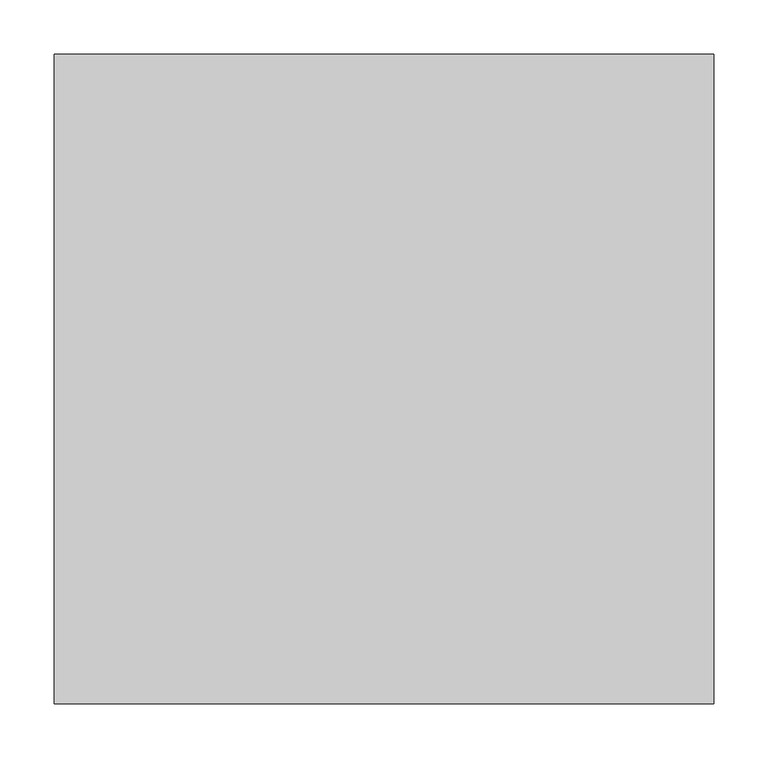
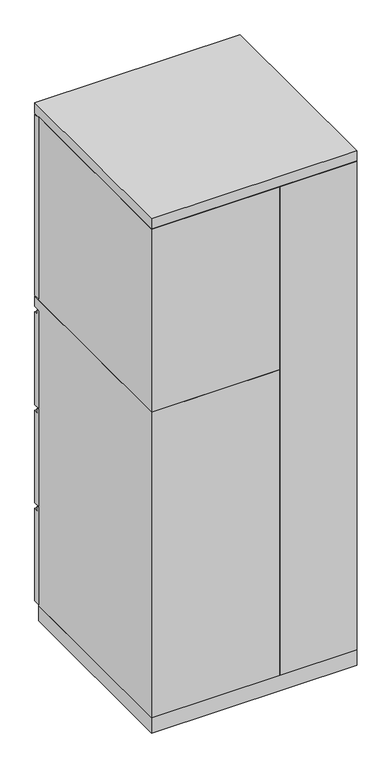
"""IFC4 building model written with IfcOpenShell, lengths in millimetres: furniture geometry."""

from ifc_helpers import new_model, si_unit, frame, origin, origin_with_axes, place, context, project, spatial, polyline, outline, extrude, faceted_brep, source, transform, mapped, element, save


def furniture_54176fff(model_context):
    return source(origin(), model_context, "Body", "SolidModel", [
        extrude(outline(polyline([(581.025, 666.75), (581.025, 971.55), (587.375, 971.55), (587.375, 957.2625), (600.075, 957.2625), (600.075, 666.75), (581.025, 666.75)])), frame((-304.8, 0.0, 0.0), z_axis=(1.0, 0.0, 0.0), x_axis=(0.0, 1.0, 0.0)), (0.0, 0.0, 1.0), 377.825),
        extrude(outline(polyline([(-304.8, 600.075), (73.025, 600.075), (73.025, 581.025), (-304.8, 581.025), (-304.8, 600.075)])), frame((0.0, 0.0, 1009.65), z_axis=(0.0, 0.0, 1.0), x_axis=(1.0, 0.0, 0.0)), (0.0, 0.0, 1.0), 568.325),
        extrude(outline(polyline([(581.025, 358.775), (581.025, 663.575), (587.375, 663.575), (587.375, 649.2875), (600.075, 649.2875), (600.075, 358.775), (581.025, 358.775)])), frame((-304.8, 0.0, 0.0), z_axis=(1.0, 0.0, 0.0), x_axis=(0.0, 1.0, 0.0)), (0.0, 0.0, 1.0), 377.825),
        extrude(outline(polyline([(304.8, 600.075), (304.8, 581.025), (76.2, 581.025), (76.2, 600.075), (304.8, 600.075)])), frame((0.0, 0.0, 50.8), z_axis=(0.0, 0.0, 1.0), x_axis=(1.0, 0.0, 0.0)), (0.0, 0.0, 1.0), 1527.175),
        extrude(outline(polyline([(581.025, 50.8), (581.025, 355.6), (587.375, 355.6), (587.375, 341.3125), (600.075, 341.3125), (600.075, 50.8), (581.025, 50.8)])), frame((-304.8, 0.0, 0.0), z_axis=(1.0, 0.0, 0.0), x_axis=(0.0, 1.0, 0.0)), (0.0, 0.0, 1.0), 377.825),
        faceted_brep([(-304.8, 581.025, 47.625), (76.2, 581.025, 47.625), (76.2, 0.0, 47.625), (-304.8, 0.0, 47.625), (76.2, 0.0, 1006.475), (-304.8, 0.0, 1006.475), (-304.8, 600.075, 1006.475), (-304.8, 600.075, 974.725), (-304.8, 581.025, 974.725), (57.15, 581.025, 974.725), (76.2, 581.025, 974.725), (76.2, 581.025, 1581.15), (76.2, 581.025, 1006.475), (57.15, 581.025, 1006.475), (57.15, 581.025, 1581.15), (76.2, 600.075, 974.725), (76.2, 600.075, 1006.475), (76.2, 19.05, 1581.15), (76.2, 19.05, 1006.475), (57.15, 19.05, 1581.15), (57.15, 19.05, 1006.475)], [[[0, 1, 2, 3]], [[2, 4, 5, 3]], [[5, 6, 7, 8, 0, 3]], [[8, 9, 10, 1, 0]], [[11, 12, 13, 14]], [[2, 1, 10, 15, 16, 12, 11, 17, 18, 4]], [[17, 11, 14, 19]], [[19, 20, 18, 17]], [[14, 13, 20, 19]], [[4, 18, 20, 13, 12, 16, 6, 5]], [[15, 10, 9, 8, 7]], [[16, 15, 7, 6]]]),
        extrude(outline(polyline([(76.2, 0.0), (-304.8, 0.0), (-304.8, 581.025), (-285.75, 581.025), (-285.75, 19.05), (76.2, 19.05), (76.2, 0.0)])), frame((0.0, 0.0, 1006.475), z_axis=(0.0, 0.0, 1.0), x_axis=(1.0, 0.0, 0.0)), (0.0, 0.0, 1.0), 574.675),
        extrude(outline(polyline([(304.8, 0.0), (76.2, 0.0), (76.2, 19.05), (285.75, 19.05), (285.75, 581.025), (304.8, 581.025), (304.8, 0.0)])), frame((0.0, 0.0, 47.625), z_axis=(0.0, 0.0, 1.0), x_axis=(1.0, 0.0, 0.0)), (0.0, 0.0, 1.0), 1533.525),
        extrude(outline(polyline([(304.8, 0.0), (-304.8, 0.0), (-304.8, 600.075), (304.8, 600.075), (304.8, 0.0)])), frame((0.0, 0.0, 1581.15), z_axis=(0.0, 0.0, 1.0), x_axis=(1.0, 0.0, 0.0)), (0.0, 0.0, 1.0), 31.75),
        extrude(outline(polyline([(304.8, 0.0), (-304.8, 0.0), (-304.8, 581.025), (304.8, 581.025), (304.8, 0.0)])), origin_with_axes(), (0.0, 0.0, 1.0), 47.625),
    ])


if __name__ == "__main__":
    model = new_model("IFC4")
    model_context = context("Model", 3, world=origin())
    ifc_project = project(units=[si_unit("LENGTHUNIT", "METRE", prefix="MILLI")], contexts=[model_context])
    site = spatial("IfcSite", under=ifc_project)
    building = spatial("IfcBuilding", under=site)
    placement = place(None, origin())
    furniture_shape = furniture_54176fff(model_context)
    element("IfcFurniture", 1, at=placement, inside=building, context=model_context, shape_type="MappedRepresentation", body=[
        mapped(furniture_shape, transform((0.0, 0.0, 0.0), x_axis=(1.0, 0.0, 0.0), y_axis=(0.0, 1.0, 0.0), z_axis=(0.0, 0.0, 1.0))),
    ])
    save(model, "model.ifc")
